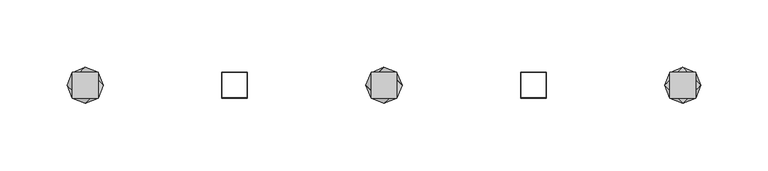
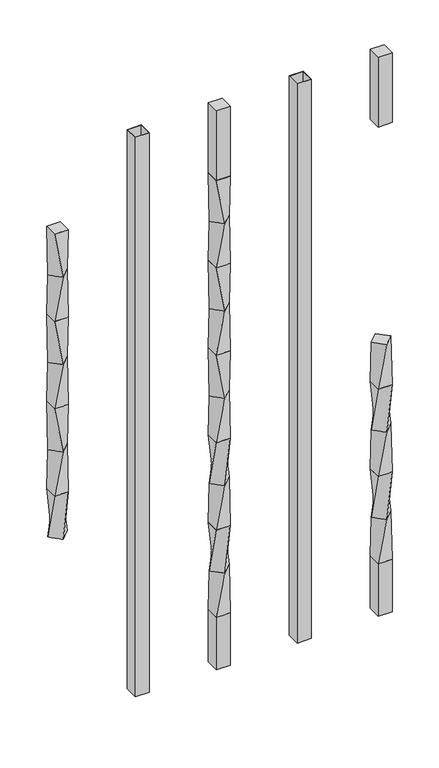
"""IFC4 building model written with IfcOpenShell, lengths in millimetres: railing geometry."""

from ifc_helpers import new_model, si_unit, frame, origin, place, context, project, spatial, polyline, outline, extrude, source, transform, mapped, element, save
from ifc_brep_helpers import plane_surface, spline_surface, advanced_brep


def railing_b1dfb58e(model_context):
    return source(origin(), model_context, "Body", "SolidModel", [
        advanced_brep(
        [(15296.6500044, -60563.4367982, 495.2958781), (15310.1203886, -60549.966414, 495.2958781), (15296.6500044, -60536.4960298, 495.2958781), (15283.1796203, -60549.966414, 495.2958781), (15287.1250044, -60559.491414, 431.7958781), (15287.1250044, -60540.441414, 431.7958781), (15306.1750044, -60540.441414, 431.7958781), (15306.1750044, -60559.491414, 431.7958781)],
        [
            (0, 1),
            (1, 2),
            (2, 3),
            (3, 0),
            (4, 5),
            (5, 6),
            (6, 7),
            (7, 4),
            (4, 0),
            (3, 5),
            (2, 6),
            (1, 7),
        ],
        [
            plane_surface(frame((15296.6500044, -60549.966414, 495.2958781), z_axis=(0.0, 0.0, 1.0), x_axis=(-0.7071067811865477, -0.7071067811865474, 0.0))),
            plane_surface(frame((15296.6500044, -60549.966414, 431.7958781), z_axis=(0.0, 0.0, -1.0), x_axis=(-0.7071067811865477, -0.7071067811865474, 0.0))),
            spline_surface(1, 1, [[(15287.1250044, -60559.491414, 431.7958781), (15287.1250044, -60540.441414, 431.7958781)], [(15296.6500044, -60563.4367982, 495.2958781), (15283.1796203, -60549.966414, 495.2958781)]], [2, 2], [2, 2], [0.0, 1.0], [0.0, 1.0]),
            spline_surface(1, 1, [[(15287.1250044, -60540.441414, 431.7958781), (15306.1750044, -60540.441414, 431.7958781)], [(15283.1796203, -60549.966414, 495.2958781), (15296.6500044, -60536.4960298, 495.2958781)]], [2, 2], [2, 2], [0.0, 1.0], [0.0, 1.0]),
            spline_surface(1, 1, [[(15306.1750044, -60540.441414, 431.7958781), (15306.1750044, -60559.491414, 431.7958781)], [(15296.6500044, -60536.4960298, 495.2958781), (15310.1203886, -60549.966414, 495.2958781)]], [2, 2], [2, 2], [0.0, 1.0], [0.0, 1.0]),
            spline_surface(1, 1, [[(15306.1750044, -60559.491414, 431.7958781), (15287.1250044, -60559.491414, 431.7958781)], [(15310.1203886, -60549.966414, 495.2958781), (15296.6500044, -60563.4367982, 495.2958781)]], [2, 2], [2, 2], [0.0, 1.0], [0.0, 1.0]),
        ],
        [
            (0, [[1, 2, 3, 4]]),
            (1, [[5, 6, 7, 8]]),
            (2, [[9, -4, 10, -5]]),
            (3, [[-10, -3, 11, -6]]),
            (4, [[-11, -2, 12, -7]]),
            (5, [[-12, -1, -9, -8]]),
        ],
    ),
        advanced_brep(
        [(15287.1250044, -60559.491414, 431.7958781), (15306.1750044, -60559.491414, 431.7958781), (15306.1750044, -60540.441414, 431.7958781), (15287.1250044, -60540.441414, 431.7958781), (15283.1796203, -60549.966414, 368.2958781), (15296.6500044, -60536.4960298, 368.2958781), (15310.1203886, -60549.966414, 368.2958781), (15296.6500044, -60563.4367982, 368.2958781)],
        [
            (0, 1),
            (1, 2),
            (2, 3),
            (3, 0),
            (4, 5),
            (5, 6),
            (6, 7),
            (7, 4),
            (4, 0),
            (3, 5),
            (2, 6),
            (1, 7),
        ],
        [
            plane_surface(frame((15296.6500044, -60549.966414, 431.7958781), z_axis=(0.0, 0.0, 1.0), x_axis=(0.0, 1.0, 0.0))),
            plane_surface(frame((15296.6500044, -60549.966414, 368.2958781), z_axis=(0.0, 0.0, -1.0), x_axis=(0.0, 1.0, 0.0))),
            spline_surface(1, 1, [[(15283.1796203, -60549.966414, 368.2958781), (15296.6500044, -60536.4960298, 368.2958781)], [(15287.1250044, -60559.491414, 431.7958781), (15287.1250044, -60540.441414, 431.7958781)]], [2, 2], [2, 2], [0.0, 1.0], [0.0, 1.0]),
            spline_surface(1, 1, [[(15296.6500044, -60536.4960298, 368.2958781), (15310.1203886, -60549.966414, 368.2958781)], [(15287.1250044, -60540.441414, 431.7958781), (15306.1750044, -60540.441414, 431.7958781)]], [2, 2], [2, 2], [0.0, 1.0], [0.0, 1.0]),
            spline_surface(1, 1, [[(15310.1203886, -60549.966414, 368.2958781), (15296.6500044, -60563.4367982, 368.2958781)], [(15306.1750044, -60540.441414, 431.7958781), (15306.1750044, -60559.491414, 431.7958781)]], [2, 2], [2, 2], [0.0, 1.0], [0.0, 1.0]),
            spline_surface(1, 1, [[(15296.6500044, -60563.4367982, 368.2958781), (15283.1796203, -60549.966414, 368.2958781)], [(15306.1750044, -60559.491414, 431.7958781), (15287.1250044, -60559.491414, 431.7958781)]], [2, 2], [2, 2], [0.0, 1.0], [0.0, 1.0]),
        ],
        [
            (0, [[1, 2, 3, 4]]),
            (1, [[5, 6, 7, 8]]),
            (2, [[9, -4, 10, -5]]),
            (3, [[-10, -3, 11, -6]]),
            (4, [[-11, -2, 12, -7]]),
            (5, [[-12, -1, -9, -8]]),
        ],
    ),
        advanced_brep(
        [(15296.6500044, -60563.4367982, 368.2958781), (15310.1203886, -60549.966414, 368.2958781), (15296.6500044, -60536.4960298, 368.2958781), (15283.1796203, -60549.966414, 368.2958781), (15287.1250044, -60559.491414, 304.7958781), (15287.1250044, -60540.441414, 304.7958781), (15306.1750044, -60540.441414, 304.7958781), (15306.1750044, -60559.491414, 304.7958781)],
        [
            (0, 1),
            (1, 2),
            (2, 3),
            (3, 0),
            (4, 5),
            (5, 6),
            (6, 7),
            (7, 4),
            (4, 0),
            (3, 5),
            (2, 6),
            (1, 7),
        ],
        [
            plane_surface(frame((15296.6500044, -60549.966414, 368.2958781), z_axis=(0.0, 0.0, 1.0), x_axis=(-0.7071067811865477, -0.7071067811865475, 0.0))),
            plane_surface(frame((15296.6500044, -60549.966414, 304.7958781), z_axis=(0.0, 0.0, -1.0), x_axis=(-0.7071067811865477, -0.7071067811865475, 0.0))),
            spline_surface(1, 1, [[(15287.1250044, -60559.491414, 304.7958781), (15287.1250044, -60540.441414, 304.7958781)], [(15296.6500044, -60563.4367982, 368.2958781), (15283.1796203, -60549.966414, 368.2958781)]], [2, 2], [2, 2], [0.0, 1.0], [0.0, 1.0]),
            spline_surface(1, 1, [[(15287.1250044, -60540.441414, 304.7958781), (15306.1750044, -60540.441414, 304.7958781)], [(15283.1796203, -60549.966414, 368.2958781), (15296.6500044, -60536.4960298, 368.2958781)]], [2, 2], [2, 2], [0.0, 1.0], [0.0, 1.0]),
            spline_surface(1, 1, [[(15306.1750044, -60540.441414, 304.7958781), (15306.1750044, -60559.491414, 304.7958781)], [(15296.6500044, -60536.4960298, 368.2958781), (15310.1203886, -60549.966414, 368.2958781)]], [2, 2], [2, 2], [0.0, 1.0], [0.0, 1.0]),
            spline_surface(1, 1, [[(15306.1750044, -60559.491414, 304.7958781), (15287.1250044, -60559.491414, 304.7958781)], [(15310.1203886, -60549.966414, 368.2958781), (15296.6500044, -60563.4367982, 368.2958781)]], [2, 2], [2, 2], [0.0, 1.0], [0.0, 1.0]),
        ],
        [
            (0, [[1, 2, 3, 4]]),
            (1, [[5, 6, 7, 8]]),
            (2, [[9, -4, 10, -5]]),
            (3, [[-10, -3, 11, -6]]),
            (4, [[-11, -2, 12, -7]]),
            (5, [[-12, -1, -9, -8]]),
        ],
    ),
        advanced_brep(
        [(15287.1250044, -60559.491414, 304.7958781), (15306.1750044, -60559.491414, 304.7958781), (15306.1750044, -60540.441414, 304.7958781), (15287.1250044, -60540.441414, 304.7958781), (15283.1796203, -60549.966414, 241.2958781), (15296.6500044, -60536.4960298, 241.2958781), (15310.1203886, -60549.966414, 241.2958781), (15296.6500044, -60563.4367982, 241.2958781)],
        [
            (0, 1),
            (1, 2),
            (2, 3),
            (3, 0),
            (4, 5),
            (5, 6),
            (6, 7),
            (7, 4),
            (4, 0),
            (3, 5),
            (2, 6),
            (1, 7),
        ],
        [
            plane_surface(frame((15296.6500044, -60549.966414, 304.7958781), z_axis=(0.0, 0.0, 1.0), x_axis=(0.0, 1.0, 0.0))),
            plane_surface(frame((15296.6500044, -60549.966414, 241.2958781), z_axis=(0.0, 0.0, -1.0), x_axis=(0.0, 1.0, 0.0))),
            spline_surface(1, 1, [[(15283.1796203, -60549.966414, 241.2958781), (15296.6500044, -60536.4960298, 241.2958781)], [(15287.1250044, -60559.491414, 304.7958781), (15287.1250044, -60540.441414, 304.7958781)]], [2, 2], [2, 2], [0.0, 1.0], [0.0, 1.0]),
            spline_surface(1, 1, [[(15296.6500044, -60536.4960298, 241.2958781), (15310.1203886, -60549.966414, 241.2958781)], [(15287.1250044, -60540.441414, 304.7958781), (15306.1750044, -60540.441414, 304.7958781)]], [2, 2], [2, 2], [0.0, 1.0], [0.0, 1.0]),
            spline_surface(1, 1, [[(15310.1203886, -60549.966414, 241.2958781), (15296.6500044, -60563.4367982, 241.2958781)], [(15306.1750044, -60540.441414, 304.7958781), (15306.1750044, -60559.491414, 304.7958781)]], [2, 2], [2, 2], [0.0, 1.0], [0.0, 1.0]),
            spline_surface(1, 1, [[(15296.6500044, -60563.4367982, 241.2958781), (15283.1796203, -60549.966414, 241.2958781)], [(15306.1750044, -60559.491414, 304.7958781), (15287.1250044, -60559.491414, 304.7958781)]], [2, 2], [2, 2], [0.0, 1.0], [0.0, 1.0]),
        ],
        [
            (0, [[1, 2, 3, 4]]),
            (1, [[5, 6, 7, 8]]),
            (2, [[9, -4, 10, -5]]),
            (3, [[-10, -3, 11, -6]]),
            (4, [[-11, -2, 12, -7]]),
            (5, [[-12, -1, -9, -8]]),
        ],
    ),
        advanced_brep(
        [(15296.6500044, -60563.4367982, 241.2958781), (15310.1203886, -60549.966414, 241.2958781), (15296.6500044, -60536.4960298, 241.2958781), (15283.1796203, -60549.966414, 241.2958781), (15287.1250044, -60559.491414, 177.7958781), (15287.1250044, -60540.441414, 177.7958781), (15306.1750044, -60540.441414, 177.7958781), (15306.1750044, -60559.491414, 177.7958781)],
        [
            (0, 1),
            (1, 2),
            (2, 3),
            (3, 0),
            (4, 5),
            (5, 6),
            (6, 7),
            (7, 4),
            (4, 0),
            (3, 5),
            (2, 6),
            (1, 7),
        ],
        [
            plane_surface(frame((15296.6500044, -60549.966414, 241.2958781), z_axis=(0.0, 0.0, 1.0), x_axis=(-0.7071067811865478, 0.7071067811865474, 0.0))),
            plane_surface(frame((15296.6500044, -60549.966414, 177.7958781), z_axis=(0.0, 0.0, -1.0), x_axis=(-0.7071067811865478, 0.7071067811865474, 0.0))),
            spline_surface(1, 1, [[(15287.1250044, -60559.491414, 177.7958781), (15287.1250044, -60540.441414, 177.7958781)], [(15296.6500044, -60563.4367982, 241.2958781), (15283.1796203, -60549.966414, 241.2958781)]], [2, 2], [2, 2], [0.0, 1.0], [0.0, 1.0]),
            spline_surface(1, 1, [[(15287.1250044, -60540.441414, 177.7958781), (15306.1750044, -60540.441414, 177.7958781)], [(15283.1796203, -60549.966414, 241.2958781), (15296.6500044, -60536.4960298, 241.2958781)]], [2, 2], [2, 2], [0.0, 1.0], [0.0, 1.0]),
            spline_surface(1, 1, [[(15306.1750044, -60540.441414, 177.7958781), (15306.1750044, -60559.491414, 177.7958781)], [(15296.6500044, -60536.4960298, 241.2958781), (15310.1203886, -60549.966414, 241.2958781)]], [2, 2], [2, 2], [0.0, 1.0], [0.0, 1.0]),
            spline_surface(1, 1, [[(15306.1750044, -60559.491414, 177.7958781), (15287.1250044, -60559.491414, 177.7958781)], [(15310.1203886, -60549.966414, 241.2958781), (15296.6500044, -60563.4367982, 241.2958781)]], [2, 2], [2, 2], [0.0, 1.0], [0.0, 1.0]),
        ],
        [
            (0, [[1, 2, 3, 4]]),
            (1, [[5, 6, 7, 8]]),
            (2, [[9, -4, 10, -5]]),
            (3, [[-10, -3, 11, -6]]),
            (4, [[-11, -2, 12, -7]]),
            (5, [[-12, -1, -9, -8]]),
        ],
    ),
        extrude(outline(polyline([(15287.1250044, -60559.491414), (15287.1250044, -60540.441414), (15306.1750044, -60540.441414), (15306.1750044, -60559.491414), (15287.1250044, -60559.491414)])), frame((0.0, 0.0, 812.7958781), z_axis=(0.0, 0.0, 1.0), x_axis=(1.0, 0.0, 0.0)), (0.0, 0.0, 1.0), 101.6041219),
        extrude(outline(polyline([(15287.1250044, -60559.491414), (15287.1250044, -60540.441414), (15306.1750044, -60540.441414), (15306.1750044, -60559.491414), (15287.1250044, -60559.491414)])), frame((0.0, 0.0, 101.5958781), z_axis=(0.0, 0.0, 1.0), x_axis=(1.0, 0.0, 0.0)), (0.0, 0.0, 1.0), 76.2),
        extrude(outline(polyline([(15175.8730044, -60559.491414), (15175.8730044, -60540.441414), (15194.9230044, -60540.441414), (15194.9230044, -60559.491414), (15175.8730044, -60559.491414)]), holes=[polyline([(15176.2698794, -60559.094539), (15194.5261294, -60559.094539), (15194.5261294, -60540.838289), (15176.2698794, -60540.838289), (15176.2698794, -60559.094539)])]), frame((0.0, 0.0, 101.5958781), z_axis=(0.0, 0.0, 1.0), x_axis=(1.0, 0.0, 0.0)), (0.0, 0.0, 1.0), 812.8041219),
        advanced_brep(
        [(15083.6710044, -60559.491414, 812.7958781), (15083.6710044, -60540.441414, 812.7958781), (15064.6210044, -60540.441414, 812.7958781), (15064.6210044, -60559.491414, 812.7958781), (15087.6163886, -60549.966414, 749.2958781), (15074.1460044, -60563.4367982, 749.2958781), (15060.6756203, -60549.966414, 749.2958781), (15074.1460044, -60536.4960298, 749.2958781)],
        [
            (0, 1),
            (1, 2),
            (2, 3),
            (3, 0),
            (4, 5),
            (5, 6),
            (6, 7),
            (7, 4),
            (4, 0),
            (3, 5),
            (2, 6),
            (1, 7),
        ],
        [
            plane_surface(frame((15074.1460044, -60549.966414, 812.7958781), z_axis=(0.0, 0.0, 1.0), x_axis=(0.0, 1.0, 0.0))),
            plane_surface(frame((15074.1460044, -60549.966414, 749.2958781), z_axis=(0.0, 0.0, -1.0), x_axis=(0.0, 1.0, 0.0))),
            spline_surface(1, 1, [[(15087.6163886, -60549.966414, 749.2958781), (15074.1460044, -60563.4367982, 749.2958781)], [(15083.6710044, -60559.491414, 812.7958781), (15064.6210044, -60559.491414, 812.7958781)]], [2, 2], [2, 2], [0.0, 1.0], [0.0, 1.0]),
            spline_surface(1, 1, [[(15074.1460044, -60563.4367982, 749.2958781), (15060.6756203, -60549.966414, 749.2958781)], [(15064.6210044, -60559.491414, 812.7958781), (15064.6210044, -60540.441414, 812.7958781)]], [2, 2], [2, 2], [0.0, 1.0], [0.0, 1.0]),
            spline_surface(1, 1, [[(15060.6756203, -60549.966414, 749.2958781), (15074.1460044, -60536.4960298, 749.2958781)], [(15064.6210044, -60540.441414, 812.7958781), (15083.6710044, -60540.441414, 812.7958781)]], [2, 2], [2, 2], [0.0, 1.0], [0.0, 1.0]),
            spline_surface(1, 1, [[(15074.1460044, -60536.4960298, 749.2958781), (15087.6163886, -60549.966414, 749.2958781)], [(15083.6710044, -60540.441414, 812.7958781), (15083.6710044, -60559.491414, 812.7958781)]], [2, 2], [2, 2], [0.0, 1.0], [0.0, 1.0]),
        ],
        [
            (0, [[1, 2, 3, 4]]),
            (1, [[5, 6, 7, 8]]),
            (2, [[9, -4, 10, -5]]),
            (3, [[-10, -3, 11, -6]]),
            (4, [[-11, -2, 12, -7]]),
            (5, [[-12, -1, -9, -8]]),
        ],
    ),
        advanced_brep(
        [(15074.1460044, -60563.4367982, 749.2958781), (15087.6163886, -60549.966414, 749.2958781), (15074.1460044, -60536.4960298, 749.2958781), (15060.6756203, -60549.966414, 749.2958781), (15064.6210044, -60559.491414, 685.7958781), (15064.6210044, -60540.441414, 685.7958781), (15083.6710044, -60540.441414, 685.7958781), (15083.6710044, -60559.491414, 685.7958781)],
        [
            (0, 1),
            (1, 2),
            (2, 3),
            (3, 0),
            (4, 5),
            (5, 6),
            (6, 7),
            (7, 4),
            (4, 0),
            (3, 5),
            (2, 6),
            (1, 7),
        ],
        [
            plane_surface(frame((15074.1460044, -60549.966414, 749.2958781), z_axis=(0.0, 0.0, 1.0), x_axis=(-0.7071067811865477, -0.7071067811865474, 0.0))),
            plane_surface(frame((15074.1460044, -60549.966414, 685.7958781), z_axis=(0.0, 0.0, -1.0), x_axis=(-0.7071067811865477, -0.7071067811865474, 0.0))),
            spline_surface(1, 1, [[(15064.6210044, -60559.491414, 685.7958781), (15064.6210044, -60540.441414, 685.7958781)], [(15074.1460044, -60563.4367982, 749.2958781), (15060.6756203, -60549.966414, 749.2958781)]], [2, 2], [2, 2], [0.0, 1.0], [0.0, 1.0]),
            spline_surface(1, 1, [[(15064.6210044, -60540.441414, 685.7958781), (15083.6710044, -60540.441414, 685.7958781)], [(15060.6756203, -60549.966414, 749.2958781), (15074.1460044, -60536.4960298, 749.2958781)]], [2, 2], [2, 2], [0.0, 1.0], [0.0, 1.0]),
            spline_surface(1, 1, [[(15083.6710044, -60540.441414, 685.7958781), (15083.6710044, -60559.491414, 685.7958781)], [(15074.1460044, -60536.4960298, 749.2958781), (15087.6163886, -60549.966414, 749.2958781)]], [2, 2], [2, 2], [0.0, 1.0], [0.0, 1.0]),
            spline_surface(1, 1, [[(15083.6710044, -60559.491414, 685.7958781), (15064.6210044, -60559.491414, 685.7958781)], [(15087.6163886, -60549.966414, 749.2958781), (15074.1460044, -60563.4367982, 749.2958781)]], [2, 2], [2, 2], [0.0, 1.0], [0.0, 1.0]),
        ],
        [
            (0, [[1, 2, 3, 4]]),
            (1, [[5, 6, 7, 8]]),
            (2, [[9, -4, 10, -5]]),
            (3, [[-10, -3, 11, -6]]),
            (4, [[-11, -2, 12, -7]]),
            (5, [[-12, -1, -9, -8]]),
        ],
    ),
        advanced_brep(
        [(15083.6710044, -60559.491414, 685.7958781), (15083.6710044, -60540.441414, 685.7958781), (15064.6210044, -60540.441414, 685.7958781), (15064.6210044, -60559.491414, 685.7958781), (15087.6163886, -60549.966414, 622.2958781), (15074.1460044, -60563.4367982, 622.2958781), (15060.6756203, -60549.966414, 622.2958781), (15074.1460044, -60536.4960298, 622.2958781)],
        [
            (0, 1),
            (1, 2),
            (2, 3),
            (3, 0),
            (4, 5),
            (5, 6),
            (6, 7),
            (7, 4),
            (4, 0),
            (3, 5),
            (2, 6),
            (1, 7),
        ],
        [
            plane_surface(frame((15074.1460044, -60549.966414, 685.7958781), z_axis=(0.0, 0.0, 1.0), x_axis=(0.0, 1.0, 0.0))),
            plane_surface(frame((15074.1460044, -60549.966414, 622.2958781), z_axis=(0.0, 0.0, -1.0), x_axis=(0.0, 1.0, 0.0))),
            spline_surface(1, 1, [[(15087.6163886, -60549.966414, 622.2958781), (15074.1460044, -60563.4367982, 622.2958781)], [(15083.6710044, -60559.491414, 685.7958781), (15064.6210044, -60559.491414, 685.7958781)]], [2, 2], [2, 2], [0.0, 1.0], [0.0, 1.0]),
            spline_surface(1, 1, [[(15074.1460044, -60563.4367982, 622.2958781), (15060.6756203, -60549.966414, 622.2958781)], [(15064.6210044, -60559.491414, 685.7958781), (15064.6210044, -60540.441414, 685.7958781)]], [2, 2], [2, 2], [0.0, 1.0], [0.0, 1.0]),
            spline_surface(1, 1, [[(15060.6756203, -60549.966414, 622.2958781), (15074.1460044, -60536.4960298, 622.2958781)], [(15064.6210044, -60540.441414, 685.7958781), (15083.6710044, -60540.441414, 685.7958781)]], [2, 2], [2, 2], [0.0, 1.0], [0.0, 1.0]),
            spline_surface(1, 1, [[(15074.1460044, -60536.4960298, 622.2958781), (15087.6163886, -60549.966414, 622.2958781)], [(15083.6710044, -60540.441414, 685.7958781), (15083.6710044, -60559.491414, 685.7958781)]], [2, 2], [2, 2], [0.0, 1.0], [0.0, 1.0]),
        ],
        [
            (0, [[1, 2, 3, 4]]),
            (1, [[5, 6, 7, 8]]),
            (2, [[9, -4, 10, -5]]),
            (3, [[-10, -3, 11, -6]]),
            (4, [[-11, -2, 12, -7]]),
            (5, [[-12, -1, -9, -8]]),
        ],
    ),
        advanced_brep(
        [(15074.1460044, -60563.4367982, 622.2958781), (15087.6163886, -60549.966414, 622.2958781), (15074.1460044, -60536.4960298, 622.2958781), (15060.6756203, -60549.966414, 622.2958781), (15064.6210044, -60559.491414, 558.7958781), (15064.6210044, -60540.441414, 558.7958781), (15083.6710044, -60540.441414, 558.7958781), (15083.6710044, -60559.491414, 558.7958781)],
        [
            (0, 1),
            (1, 2),
            (2, 3),
            (3, 0),
            (4, 5),
            (5, 6),
            (6, 7),
            (7, 4),
            (4, 0),
            (3, 5),
            (2, 6),
            (1, 7),
        ],
        [
            plane_surface(frame((15074.1460044, -60549.966414, 622.2958781), z_axis=(0.0, 0.0, 1.0), x_axis=(-0.7071067811865477, -0.7071067811865475, 0.0))),
            plane_surface(frame((15074.1460044, -60549.966414, 558.7958781), z_axis=(0.0, 0.0, -1.0), x_axis=(-0.7071067811865477, -0.7071067811865475, 0.0))),
            spline_surface(1, 1, [[(15064.6210044, -60559.491414, 558.7958781), (15064.6210044, -60540.441414, 558.7958781)], [(15074.1460044, -60563.4367982, 622.2958781), (15060.6756203, -60549.966414, 622.2958781)]], [2, 2], [2, 2], [0.0, 1.0], [0.0, 1.0]),
            spline_surface(1, 1, [[(15064.6210044, -60540.441414, 558.7958781), (15083.6710044, -60540.441414, 558.7958781)], [(15060.6756203, -60549.966414, 622.2958781), (15074.1460044, -60536.4960298, 622.2958781)]], [2, 2], [2, 2], [0.0, 1.0], [0.0, 1.0]),
            spline_surface(1, 1, [[(15083.6710044, -60540.441414, 558.7958781), (15083.6710044, -60559.491414, 558.7958781)], [(15074.1460044, -60536.4960298, 622.2958781), (15087.6163886, -60549.966414, 622.2958781)]], [2, 2], [2, 2], [0.0, 1.0], [0.0, 1.0]),
            spline_surface(1, 1, [[(15083.6710044, -60559.491414, 558.7958781), (15064.6210044, -60559.491414, 558.7958781)], [(15087.6163886, -60549.966414, 622.2958781), (15074.1460044, -60563.4367982, 622.2958781)]], [2, 2], [2, 2], [0.0, 1.0], [0.0, 1.0]),
        ],
        [
            (0, [[1, 2, 3, 4]]),
            (1, [[5, 6, 7, 8]]),
            (2, [[9, -4, 10, -5]]),
            (3, [[-10, -3, 11, -6]]),
            (4, [[-11, -2, 12, -7]]),
            (5, [[-12, -1, -9, -8]]),
        ],
    ),
        advanced_brep(
        [(15083.6710044, -60559.491414, 558.7958781), (15083.6710044, -60540.441414, 558.7958781), (15064.6210044, -60540.441414, 558.7958781), (15064.6210044, -60559.491414, 558.7958781), (15087.6163886, -60549.966414, 495.2958781), (15074.1460044, -60563.4367982, 495.2958781), (15060.6756203, -60549.966414, 495.2958781), (15074.1460044, -60536.4960298, 495.2958781)],
        [
            (0, 1),
            (1, 2),
            (2, 3),
            (3, 0),
            (4, 5),
            (5, 6),
            (6, 7),
            (7, 4),
            (4, 0),
            (3, 5),
            (2, 6),
            (1, 7),
        ],
        [
            plane_surface(frame((15074.1460044, -60549.966414, 558.7958781), z_axis=(0.0, 0.0, 1.0), x_axis=(0.0, 1.0, 0.0))),
            plane_surface(frame((15074.1460044, -60549.966414, 495.2958781), z_axis=(0.0, 0.0, -1.0), x_axis=(0.0, 1.0, 0.0))),
            spline_surface(1, 1, [[(15087.6163886, -60549.966414, 495.2958781), (15074.1460044, -60563.4367982, 495.2958781)], [(15083.6710044, -60559.491414, 558.7958781), (15064.6210044, -60559.491414, 558.7958781)]], [2, 2], [2, 2], [0.0, 1.0], [0.0, 1.0]),
            spline_surface(1, 1, [[(15074.1460044, -60563.4367982, 495.2958781), (15060.6756203, -60549.966414, 495.2958781)], [(15064.6210044, -60559.491414, 558.7958781), (15064.6210044, -60540.441414, 558.7958781)]], [2, 2], [2, 2], [0.0, 1.0], [0.0, 1.0]),
            spline_surface(1, 1, [[(15060.6756203, -60549.966414, 495.2958781), (15074.1460044, -60536.4960298, 495.2958781)], [(15064.6210044, -60540.441414, 558.7958781), (15083.6710044, -60540.441414, 558.7958781)]], [2, 2], [2, 2], [0.0, 1.0], [0.0, 1.0]),
            spline_surface(1, 1, [[(15074.1460044, -60536.4960298, 495.2958781), (15087.6163886, -60549.966414, 495.2958781)], [(15083.6710044, -60540.441414, 558.7958781), (15083.6710044, -60559.491414, 558.7958781)]], [2, 2], [2, 2], [0.0, 1.0], [0.0, 1.0]),
        ],
        [
            (0, [[1, 2, 3, 4]]),
            (1, [[5, 6, 7, 8]]),
            (2, [[9, -4, 10, -5]]),
            (3, [[-10, -3, 11, -6]]),
            (4, [[-11, -2, 12, -7]]),
            (5, [[-12, -1, -9, -8]]),
        ],
    ),
        advanced_brep(
        [(15074.1460044, -60563.4367982, 495.2958781), (15087.6163886, -60549.966414, 495.2958781), (15074.1460044, -60536.4960298, 495.2958781), (15060.6756203, -60549.966414, 495.2958781), (15064.6210044, -60559.491414, 431.7958781), (15064.6210044, -60540.441414, 431.7958781), (15083.6710044, -60540.441414, 431.7958781), (15083.6710044, -60559.491414, 431.7958781)],
        [
            (0, 1),
            (1, 2),
            (2, 3),
            (3, 0),
            (4, 5),
            (5, 6),
            (6, 7),
            (7, 4),
            (4, 0),
            (3, 5),
            (2, 6),
            (1, 7),
        ],
        [
            plane_surface(frame((15074.1460044, -60549.966414, 495.2958781), z_axis=(0.0, 0.0, 1.0), x_axis=(-0.7071067811865477, -0.7071067811865474, 0.0))),
            plane_surface(frame((15074.1460044, -60549.966414, 431.7958781), z_axis=(0.0, 0.0, -1.0), x_axis=(-0.7071067811865477, -0.7071067811865474, 0.0))),
            spline_surface(1, 1, [[(15064.6210044, -60559.491414, 431.7958781), (15064.6210044, -60540.441414, 431.7958781)], [(15074.1460044, -60563.4367982, 495.2958781), (15060.6756203, -60549.966414, 495.2958781)]], [2, 2], [2, 2], [0.0, 1.0], [0.0, 1.0]),
            spline_surface(1, 1, [[(15064.6210044, -60540.441414, 431.7958781), (15083.6710044, -60540.441414, 431.7958781)], [(15060.6756203, -60549.966414, 495.2958781), (15074.1460044, -60536.4960298, 495.2958781)]], [2, 2], [2, 2], [0.0, 1.0], [0.0, 1.0]),
            spline_surface(1, 1, [[(15083.6710044, -60540.441414, 431.7958781), (15083.6710044, -60559.491414, 431.7958781)], [(15074.1460044, -60536.4960298, 495.2958781), (15087.6163886, -60549.966414, 495.2958781)]], [2, 2], [2, 2], [0.0, 1.0], [0.0, 1.0]),
            spline_surface(1, 1, [[(15083.6710044, -60559.491414, 431.7958781), (15064.6210044, -60559.491414, 431.7958781)], [(15087.6163886, -60549.966414, 495.2958781), (15074.1460044, -60563.4367982, 495.2958781)]], [2, 2], [2, 2], [0.0, 1.0], [0.0, 1.0]),
        ],
        [
            (0, [[1, 2, 3, 4]]),
            (1, [[5, 6, 7, 8]]),
            (2, [[9, -4, 10, -5]]),
            (3, [[-10, -3, 11, -6]]),
            (4, [[-11, -2, 12, -7]]),
            (5, [[-12, -1, -9, -8]]),
        ],
    ),
        advanced_brep(
        [(15064.6210044, -60559.491414, 431.7958781), (15083.6710044, -60559.491414, 431.7958781), (15083.6710044, -60540.441414, 431.7958781), (15064.6210044, -60540.441414, 431.7958781), (15060.6756203, -60549.966414, 368.2958781), (15074.1460044, -60536.4960298, 368.2958781), (15087.6163886, -60549.966414, 368.2958781), (15074.1460044, -60563.4367982, 368.2958781)],
        [
            (0, 1),
            (1, 2),
            (2, 3),
            (3, 0),
            (4, 5),
            (5, 6),
            (6, 7),
            (7, 4),
            (4, 0),
            (3, 5),
            (2, 6),
            (1, 7),
        ],
        [
            plane_surface(frame((15074.1460044, -60549.966414, 431.7958781), z_axis=(0.0, 0.0, 1.0), x_axis=(0.0, 1.0, 0.0))),
            plane_surface(frame((15074.1460044, -60549.966414, 368.2958781), z_axis=(0.0, 0.0, -1.0), x_axis=(0.0, 1.0, 0.0))),
            spline_surface(1, 1, [[(15060.6756203, -60549.966414, 368.2958781), (15074.1460044, -60536.4960298, 368.2958781)], [(15064.6210044, -60559.491414, 431.7958781), (15064.6210044, -60540.441414, 431.7958781)]], [2, 2], [2, 2], [0.0, 1.0], [0.0, 1.0]),
            spline_surface(1, 1, [[(15074.1460044, -60536.4960298, 368.2958781), (15087.6163886, -60549.966414, 368.2958781)], [(15064.6210044, -60540.441414, 431.7958781), (15083.6710044, -60540.441414, 431.7958781)]], [2, 2], [2, 2], [0.0, 1.0], [0.0, 1.0]),
            spline_surface(1, 1, [[(15087.6163886, -60549.966414, 368.2958781), (15074.1460044, -60563.4367982, 368.2958781)], [(15083.6710044, -60540.441414, 431.7958781), (15083.6710044, -60559.491414, 431.7958781)]], [2, 2], [2, 2], [0.0, 1.0], [0.0, 1.0]),
            spline_surface(1, 1, [[(15074.1460044, -60563.4367982, 368.2958781), (15060.6756203, -60549.966414, 368.2958781)], [(15083.6710044, -60559.491414, 431.7958781), (15064.6210044, -60559.491414, 431.7958781)]], [2, 2], [2, 2], [0.0, 1.0], [0.0, 1.0]),
        ],
        [
            (0, [[1, 2, 3, 4]]),
            (1, [[5, 6, 7, 8]]),
            (2, [[9, -4, 10, -5]]),
            (3, [[-10, -3, 11, -6]]),
            (4, [[-11, -2, 12, -7]]),
            (5, [[-12, -1, -9, -8]]),
        ],
    ),
        advanced_brep(
        [(15074.1460044, -60563.4367982, 368.2958781), (15087.6163886, -60549.966414, 368.2958781), (15074.1460044, -60536.4960298, 368.2958781), (15060.6756203, -60549.966414, 368.2958781), (15064.6210044, -60559.491414, 304.7958781), (15064.6210044, -60540.441414, 304.7958781), (15083.6710044, -60540.441414, 304.7958781), (15083.6710044, -60559.491414, 304.7958781)],
        [
            (0, 1),
            (1, 2),
            (2, 3),
            (3, 0),
            (4, 5),
            (5, 6),
            (6, 7),
            (7, 4),
            (4, 0),
            (3, 5),
            (2, 6),
            (1, 7),
        ],
        [
            plane_surface(frame((15074.1460044, -60549.966414, 368.2958781), z_axis=(0.0, 0.0, 1.0), x_axis=(-0.7071067811865477, -0.7071067811865475, 0.0))),
            plane_surface(frame((15074.1460044, -60549.966414, 304.7958781), z_axis=(0.0, 0.0, -1.0), x_axis=(-0.7071067811865477, -0.7071067811865475, 0.0))),
            spline_surface(1, 1, [[(15064.6210044, -60559.491414, 304.7958781), (15064.6210044, -60540.441414, 304.7958781)], [(15074.1460044, -60563.4367982, 368.2958781), (15060.6756203, -60549.966414, 368.2958781)]], [2, 2], [2, 2], [0.0, 1.0], [0.0, 1.0]),
            spline_surface(1, 1, [[(15064.6210044, -60540.441414, 304.7958781), (15083.6710044, -60540.441414, 304.7958781)], [(15060.6756203, -60549.966414, 368.2958781), (15074.1460044, -60536.4960298, 368.2958781)]], [2, 2], [2, 2], [0.0, 1.0], [0.0, 1.0]),
            spline_surface(1, 1, [[(15083.6710044, -60540.441414, 304.7958781), (15083.6710044, -60559.491414, 304.7958781)], [(15074.1460044, -60536.4960298, 368.2958781), (15087.6163886, -60549.966414, 368.2958781)]], [2, 2], [2, 2], [0.0, 1.0], [0.0, 1.0]),
            spline_surface(1, 1, [[(15083.6710044, -60559.491414, 304.7958781), (15064.6210044, -60559.491414, 304.7958781)], [(15087.6163886, -60549.966414, 368.2958781), (15074.1460044, -60563.4367982, 368.2958781)]], [2, 2], [2, 2], [0.0, 1.0], [0.0, 1.0]),
        ],
        [
            (0, [[1, 2, 3, 4]]),
            (1, [[5, 6, 7, 8]]),
            (2, [[9, -4, 10, -5]]),
            (3, [[-10, -3, 11, -6]]),
            (4, [[-11, -2, 12, -7]]),
            (5, [[-12, -1, -9, -8]]),
        ],
    ),
        advanced_brep(
        [(15064.6210044, -60559.491414, 304.7958781), (15083.6710044, -60559.491414, 304.7958781), (15083.6710044, -60540.441414, 304.7958781), (15064.6210044, -60540.441414, 304.7958781), (15060.6756203, -60549.966414, 241.2958781), (15074.1460044, -60536.4960298, 241.2958781), (15087.6163886, -60549.966414, 241.2958781), (15074.1460044, -60563.4367982, 241.2958781)],
        [
            (0, 1),
            (1, 2),
            (2, 3),
            (3, 0),
            (4, 5),
            (5, 6),
            (6, 7),
            (7, 4),
            (4, 0),
            (3, 5),
            (2, 6),
            (1, 7),
        ],
        [
            plane_surface(frame((15074.1460044, -60549.966414, 304.7958781), z_axis=(0.0, 0.0, 1.0), x_axis=(0.0, 1.0, 0.0))),
            plane_surface(frame((15074.1460044, -60549.966414, 241.2958781), z_axis=(0.0, 0.0, -1.0), x_axis=(0.0, 1.0, 0.0))),
            spline_surface(1, 1, [[(15060.6756203, -60549.966414, 241.2958781), (15074.1460044, -60536.4960298, 241.2958781)], [(15064.6210044, -60559.491414, 304.7958781), (15064.6210044, -60540.441414, 304.7958781)]], [2, 2], [2, 2], [0.0, 1.0], [0.0, 1.0]),
            spline_surface(1, 1, [[(15074.1460044, -60536.4960298, 241.2958781), (15087.6163886, -60549.966414, 241.2958781)], [(15064.6210044, -60540.441414, 304.7958781), (15083.6710044, -60540.441414, 304.7958781)]], [2, 2], [2, 2], [0.0, 1.0], [0.0, 1.0]),
            spline_surface(1, 1, [[(15087.6163886, -60549.966414, 241.2958781), (15074.1460044, -60563.4367982, 241.2958781)], [(15083.6710044, -60540.441414, 304.7958781), (15083.6710044, -60559.491414, 304.7958781)]], [2, 2], [2, 2], [0.0, 1.0], [0.0, 1.0]),
            spline_surface(1, 1, [[(15074.1460044, -60563.4367982, 241.2958781), (15060.6756203, -60549.966414, 241.2958781)], [(15083.6710044, -60559.491414, 304.7958781), (15064.6210044, -60559.491414, 304.7958781)]], [2, 2], [2, 2], [0.0, 1.0], [0.0, 1.0]),
        ],
        [
            (0, [[1, 2, 3, 4]]),
            (1, [[5, 6, 7, 8]]),
            (2, [[9, -4, 10, -5]]),
            (3, [[-10, -3, 11, -6]]),
            (4, [[-11, -2, 12, -7]]),
            (5, [[-12, -1, -9, -8]]),
        ],
    ),
        advanced_brep(
        [(15074.1460044, -60563.4367982, 241.2958781), (15087.6163886, -60549.966414, 241.2958781), (15074.1460044, -60536.4960298, 241.2958781), (15060.6756203, -60549.966414, 241.2958781), (15064.6210044, -60559.491414, 177.7958781), (15064.6210044, -60540.441414, 177.7958781), (15083.6710044, -60540.441414, 177.7958781), (15083.6710044, -60559.491414, 177.7958781)],
        [
            (0, 1),
            (1, 2),
            (2, 3),
            (3, 0),
            (4, 5),
            (5, 6),
            (6, 7),
            (7, 4),
            (4, 0),
            (3, 5),
            (2, 6),
            (1, 7),
        ],
        [
            plane_surface(frame((15074.1460044, -60549.966414, 241.2958781), z_axis=(0.0, 0.0, 1.0), x_axis=(-0.7071067811865478, 0.7071067811865474, 0.0))),
            plane_surface(frame((15074.1460044, -60549.966414, 177.7958781), z_axis=(0.0, 0.0, -1.0), x_axis=(-0.7071067811865478, 0.7071067811865474, 0.0))),
            spline_surface(1, 1, [[(15064.6210044, -60559.491414, 177.7958781), (15064.6210044, -60540.441414, 177.7958781)], [(15074.1460044, -60563.4367982, 241.2958781), (15060.6756203, -60549.966414, 241.2958781)]], [2, 2], [2, 2], [0.0, 1.0], [0.0, 1.0]),
            spline_surface(1, 1, [[(15064.6210044, -60540.441414, 177.7958781), (15083.6710044, -60540.441414, 177.7958781)], [(15060.6756203, -60549.966414, 241.2958781), (15074.1460044, -60536.4960298, 241.2958781)]], [2, 2], [2, 2], [0.0, 1.0], [0.0, 1.0]),
            spline_surface(1, 1, [[(15083.6710044, -60540.441414, 177.7958781), (15083.6710044, -60559.491414, 177.7958781)], [(15074.1460044, -60536.4960298, 241.2958781), (15087.6163886, -60549.966414, 241.2958781)]], [2, 2], [2, 2], [0.0, 1.0], [0.0, 1.0]),
            spline_surface(1, 1, [[(15083.6710044, -60559.491414, 177.7958781), (15064.6210044, -60559.491414, 177.7958781)], [(15087.6163886, -60549.966414, 241.2958781), (15074.1460044, -60563.4367982, 241.2958781)]], [2, 2], [2, 2], [0.0, 1.0], [0.0, 1.0]),
        ],
        [
            (0, [[1, 2, 3, 4]]),
            (1, [[5, 6, 7, 8]]),
            (2, [[9, -4, 10, -5]]),
            (3, [[-10, -3, 11, -6]]),
            (4, [[-11, -2, 12, -7]]),
            (5, [[-12, -1, -9, -8]]),
        ],
    ),
        extrude(outline(polyline([(15064.6210044, -60559.491414), (15064.6210044, -60540.441414), (15083.6710044, -60540.441414), (15083.6710044, -60559.491414), (15064.6210044, -60559.491414)])), frame((0.0, 0.0, 812.7958781), z_axis=(0.0, 0.0, 1.0), x_axis=(1.0, 0.0, 0.0)), (0.0, 0.0, 1.0), 101.6041219),
        extrude(outline(polyline([(15064.6210044, -60559.491414), (15064.6210044, -60540.441414), (15083.6710044, -60540.441414), (15083.6710044, -60559.491414), (15064.6210044, -60559.491414)])), frame((0.0, 0.0, 101.5958781), z_axis=(0.0, 0.0, 1.0), x_axis=(1.0, 0.0, 0.0)), (0.0, 0.0, 1.0), 76.2),
        extrude(outline(polyline([(14953.3690044, -60559.491414), (14953.3690044, -60540.441414), (14972.4190044, -60540.441414), (14972.4190044, -60559.491414), (14953.3690044, -60559.491414)]), holes=[polyline([(14953.7658794, -60559.094539), (14972.0221294, -60559.094539), (14972.0221294, -60540.838289), (14953.7658794, -60540.838289), (14953.7658794, -60559.094539)])]), frame((0.0, 0.0, 101.5958781), z_axis=(0.0, 0.0, 1.0), x_axis=(1.0, 0.0, 0.0)), (0.0, 0.0, 1.0), 812.8041219),
        advanced_brep(
        [(14861.1670044, -60559.491414, 812.7958781), (14861.1670044, -60540.441414, 812.7958781), (14842.1170044, -60540.441414, 812.7958781), (14842.1170044, -60559.491414, 812.7958781), (14865.1123886, -60549.966414, 749.2958781), (14851.6420044, -60563.4367982, 749.2958781), (14838.1716203, -60549.966414, 749.2958781), (14851.6420044, -60536.4960298, 749.2958781)],
        [
            (0, 1),
            (1, 2),
            (2, 3),
            (3, 0),
            (4, 5),
            (5, 6),
            (6, 7),
            (7, 4),
            (4, 0),
            (3, 5),
            (2, 6),
            (1, 7),
        ],
        [
            plane_surface(frame((14851.6420044, -60549.966414, 812.7958781), z_axis=(0.0, 0.0, 1.0), x_axis=(0.0, 1.0, 0.0))),
            plane_surface(frame((14851.6420044, -60549.966414, 749.2958781), z_axis=(0.0, 0.0, -1.0), x_axis=(0.0, 1.0, 0.0))),
            spline_surface(1, 1, [[(14865.1123886, -60549.966414, 749.2958781), (14851.6420044, -60563.4367982, 749.2958781)], [(14861.1670044, -60559.491414, 812.7958781), (14842.1170044, -60559.491414, 812.7958781)]], [2, 2], [2, 2], [0.0, 1.0], [0.0, 1.0]),
            spline_surface(1, 1, [[(14851.6420044, -60563.4367982, 749.2958781), (14838.1716203, -60549.966414, 749.2958781)], [(14842.1170044, -60559.491414, 812.7958781), (14842.1170044, -60540.441414, 812.7958781)]], [2, 2], [2, 2], [0.0, 1.0], [0.0, 1.0]),
            spline_surface(1, 1, [[(14838.1716203, -60549.966414, 749.2958781), (14851.6420044, -60536.4960298, 749.2958781)], [(14842.1170044, -60540.441414, 812.7958781), (14861.1670044, -60540.441414, 812.7958781)]], [2, 2], [2, 2], [0.0, 1.0], [0.0, 1.0]),
            spline_surface(1, 1, [[(14851.6420044, -60536.4960298, 749.2958781), (14865.1123886, -60549.966414, 749.2958781)], [(14861.1670044, -60540.441414, 812.7958781), (14861.1670044, -60559.491414, 812.7958781)]], [2, 2], [2, 2], [0.0, 1.0], [0.0, 1.0]),
        ],
        [
            (0, [[1, 2, 3, 4]]),
            (1, [[5, 6, 7, 8]]),
            (2, [[9, -4, 10, -5]]),
            (3, [[-10, -3, 11, -6]]),
            (4, [[-11, -2, 12, -7]]),
            (5, [[-12, -1, -9, -8]]),
        ],
    ),
        advanced_brep(
        [(14851.6420044, -60563.4367982, 749.2958781), (14865.1123886, -60549.966414, 749.2958781), (14851.6420044, -60536.4960298, 749.2958781), (14838.1716203, -60549.966414, 749.2958781), (14842.1170044, -60559.491414, 685.7958781), (14842.1170044, -60540.441414, 685.7958781), (14861.1670044, -60540.441414, 685.7958781), (14861.1670044, -60559.491414, 685.7958781)],
        [
            (0, 1),
            (1, 2),
            (2, 3),
            (3, 0),
            (4, 5),
            (5, 6),
            (6, 7),
            (7, 4),
            (4, 0),
            (3, 5),
            (2, 6),
            (1, 7),
        ],
        [
            plane_surface(frame((14851.6420044, -60549.966414, 749.2958781), z_axis=(0.0, 0.0, 1.0), x_axis=(-0.7071067811865477, -0.7071067811865474, 0.0))),
            plane_surface(frame((14851.6420044, -60549.966414, 685.7958781), z_axis=(0.0, 0.0, -1.0), x_axis=(-0.7071067811865477, -0.7071067811865474, 0.0))),
            spline_surface(1, 1, [[(14842.1170044, -60559.491414, 685.7958781), (14842.1170044, -60540.441414, 685.7958781)], [(14851.6420044, -60563.4367982, 749.2958781), (14838.1716203, -60549.966414, 749.2958781)]], [2, 2], [2, 2], [0.0, 1.0], [0.0, 1.0]),
            spline_surface(1, 1, [[(14842.1170044, -60540.441414, 685.7958781), (14861.1670044, -60540.441414, 685.7958781)], [(14838.1716203, -60549.966414, 749.2958781), (14851.6420044, -60536.4960298, 749.2958781)]], [2, 2], [2, 2], [0.0, 1.0], [0.0, 1.0]),
            spline_surface(1, 1, [[(14861.1670044, -60540.441414, 685.7958781), (14861.1670044, -60559.491414, 685.7958781)], [(14851.6420044, -60536.4960298, 749.2958781), (14865.1123886, -60549.966414, 749.2958781)]], [2, 2], [2, 2], [0.0, 1.0], [0.0, 1.0]),
            spline_surface(1, 1, [[(14861.1670044, -60559.491414, 685.7958781), (14842.1170044, -60559.491414, 685.7958781)], [(14865.1123886, -60549.966414, 749.2958781), (14851.6420044, -60563.4367982, 749.2958781)]], [2, 2], [2, 2], [0.0, 1.0], [0.0, 1.0]),
        ],
        [
            (0, [[1, 2, 3, 4]]),
            (1, [[5, 6, 7, 8]]),
            (2, [[9, -4, 10, -5]]),
            (3, [[-10, -3, 11, -6]]),
            (4, [[-11, -2, 12, -7]]),
            (5, [[-12, -1, -9, -8]]),
        ],
    ),
        advanced_brep(
        [(14861.1670044, -60559.491414, 685.7958781), (14861.1670044, -60540.441414, 685.7958781), (14842.1170044, -60540.441414, 685.7958781), (14842.1170044, -60559.491414, 685.7958781), (14865.1123886, -60549.966414, 622.2958781), (14851.6420044, -60563.4367982, 622.2958781), (14838.1716203, -60549.966414, 622.2958781), (14851.6420044, -60536.4960298, 622.2958781)],
        [
            (0, 1),
            (1, 2),
            (2, 3),
            (3, 0),
            (4, 5),
            (5, 6),
            (6, 7),
            (7, 4),
            (4, 0),
            (3, 5),
            (2, 6),
            (1, 7),
        ],
        [
            plane_surface(frame((14851.6420044, -60549.966414, 685.7958781), z_axis=(0.0, 0.0, 1.0), x_axis=(0.0, 1.0, 0.0))),
            plane_surface(frame((14851.6420044, -60549.966414, 622.2958781), z_axis=(0.0, 0.0, -1.0), x_axis=(0.0, 1.0, 0.0))),
            spline_surface(1, 1, [[(14865.1123886, -60549.966414, 622.2958781), (14851.6420044, -60563.4367982, 622.2958781)], [(14861.1670044, -60559.491414, 685.7958781), (14842.1170044, -60559.491414, 685.7958781)]], [2, 2], [2, 2], [0.0, 1.0], [0.0, 1.0]),
            spline_surface(1, 1, [[(14851.6420044, -60563.4367982, 622.2958781), (14838.1716203, -60549.966414, 622.2958781)], [(14842.1170044, -60559.491414, 685.7958781), (14842.1170044, -60540.441414, 685.7958781)]], [2, 2], [2, 2], [0.0, 1.0], [0.0, 1.0]),
            spline_surface(1, 1, [[(14838.1716203, -60549.966414, 622.2958781), (14851.6420044, -60536.4960298, 622.2958781)], [(14842.1170044, -60540.441414, 685.7958781), (14861.1670044, -60540.441414, 685.7958781)]], [2, 2], [2, 2], [0.0, 1.0], [0.0, 1.0]),
            spline_surface(1, 1, [[(14851.6420044, -60536.4960298, 622.2958781), (14865.1123886, -60549.966414, 622.2958781)], [(14861.1670044, -60540.441414, 685.7958781), (14861.1670044, -60559.491414, 685.7958781)]], [2, 2], [2, 2], [0.0, 1.0], [0.0, 1.0]),
        ],
        [
            (0, [[1, 2, 3, 4]]),
            (1, [[5, 6, 7, 8]]),
            (2, [[9, -4, 10, -5]]),
            (3, [[-10, -3, 11, -6]]),
            (4, [[-11, -2, 12, -7]]),
            (5, [[-12, -1, -9, -8]]),
        ],
    ),
        advanced_brep(
        [(14851.6420044, -60563.4367982, 622.2958781), (14865.1123886, -60549.966414, 622.2958781), (14851.6420044, -60536.4960298, 622.2958781), (14838.1716203, -60549.966414, 622.2958781), (14842.1170044, -60559.491414, 558.7958781), (14842.1170044, -60540.441414, 558.7958781), (14861.1670044, -60540.441414, 558.7958781), (14861.1670044, -60559.491414, 558.7958781)],
        [
            (0, 1),
            (1, 2),
            (2, 3),
            (3, 0),
            (4, 5),
            (5, 6),
            (6, 7),
            (7, 4),
            (4, 0),
            (3, 5),
            (2, 6),
            (1, 7),
        ],
        [
            plane_surface(frame((14851.6420044, -60549.966414, 622.2958781), z_axis=(0.0, 0.0, 1.0), x_axis=(-0.7071067811865477, -0.7071067811865475, 0.0))),
            plane_surface(frame((14851.6420044, -60549.966414, 558.7958781), z_axis=(0.0, 0.0, -1.0), x_axis=(-0.7071067811865477, -0.7071067811865475, 0.0))),
            spline_surface(1, 1, [[(14842.1170044, -60559.491414, 558.7958781), (14842.1170044, -60540.441414, 558.7958781)], [(14851.6420044, -60563.4367982, 622.2958781), (14838.1716203, -60549.966414, 622.2958781)]], [2, 2], [2, 2], [0.0, 1.0], [0.0, 1.0]),
            spline_surface(1, 1, [[(14842.1170044, -60540.441414, 558.7958781), (14861.1670044, -60540.441414, 558.7958781)], [(14838.1716203, -60549.966414, 622.2958781), (14851.6420044, -60536.4960298, 622.2958781)]], [2, 2], [2, 2], [0.0, 1.0], [0.0, 1.0]),
            spline_surface(1, 1, [[(14861.1670044, -60540.441414, 558.7958781), (14861.1670044, -60559.491414, 558.7958781)], [(14851.6420044, -60536.4960298, 622.2958781), (14865.1123886, -60549.966414, 622.2958781)]], [2, 2], [2, 2], [0.0, 1.0], [0.0, 1.0]),
            spline_surface(1, 1, [[(14861.1670044, -60559.491414, 558.7958781), (14842.1170044, -60559.491414, 558.7958781)], [(14865.1123886, -60549.966414, 622.2958781), (14851.6420044, -60563.4367982, 622.2958781)]], [2, 2], [2, 2], [0.0, 1.0], [0.0, 1.0]),
        ],
        [
            (0, [[1, 2, 3, 4]]),
            (1, [[5, 6, 7, 8]]),
            (2, [[9, -4, 10, -5]]),
            (3, [[-10, -3, 11, -6]]),
            (4, [[-11, -2, 12, -7]]),
            (5, [[-12, -1, -9, -8]]),
        ],
    ),
        advanced_brep(
        [(14861.1670044, -60559.491414, 558.7958781), (14861.1670044, -60540.441414, 558.7958781), (14842.1170044, -60540.441414, 558.7958781), (14842.1170044, -60559.491414, 558.7958781), (14865.1123886, -60549.966414, 495.2958781), (14851.6420044, -60563.4367982, 495.2958781), (14838.1716203, -60549.966414, 495.2958781), (14851.6420044, -60536.4960298, 495.2958781)],
        [
            (0, 1),
            (1, 2),
            (2, 3),
            (3, 0),
            (4, 5),
            (5, 6),
            (6, 7),
            (7, 4),
            (4, 0),
            (3, 5),
            (2, 6),
            (1, 7),
        ],
        [
            plane_surface(frame((14851.6420044, -60549.966414, 558.7958781), z_axis=(0.0, 0.0, 1.0), x_axis=(0.0, 1.0, 0.0))),
            plane_surface(frame((14851.6420044, -60549.966414, 495.2958781), z_axis=(0.0, 0.0, -1.0), x_axis=(0.0, 1.0, 0.0))),
            spline_surface(1, 1, [[(14865.1123886, -60549.966414, 495.2958781), (14851.6420044, -60563.4367982, 495.2958781)], [(14861.1670044, -60559.491414, 558.7958781), (14842.1170044, -60559.491414, 558.7958781)]], [2, 2], [2, 2], [0.0, 1.0], [0.0, 1.0]),
            spline_surface(1, 1, [[(14851.6420044, -60563.4367982, 495.2958781), (14838.1716203, -60549.966414, 495.2958781)], [(14842.1170044, -60559.491414, 558.7958781), (14842.1170044, -60540.441414, 558.7958781)]], [2, 2], [2, 2], [0.0, 1.0], [0.0, 1.0]),
            spline_surface(1, 1, [[(14838.1716203, -60549.966414, 495.2958781), (14851.6420044, -60536.4960298, 495.2958781)], [(14842.1170044, -60540.441414, 558.7958781), (14861.1670044, -60540.441414, 558.7958781)]], [2, 2], [2, 2], [0.0, 1.0], [0.0, 1.0]),
            spline_surface(1, 1, [[(14851.6420044, -60536.4960298, 495.2958781), (14865.1123886, -60549.966414, 495.2958781)], [(14861.1670044, -60540.441414, 558.7958781), (14861.1670044, -60559.491414, 558.7958781)]], [2, 2], [2, 2], [0.0, 1.0], [0.0, 1.0]),
        ],
        [
            (0, [[1, 2, 3, 4]]),
            (1, [[5, 6, 7, 8]]),
            (2, [[9, -4, 10, -5]]),
            (3, [[-10, -3, 11, -6]]),
            (4, [[-11, -2, 12, -7]]),
            (5, [[-12, -1, -9, -8]]),
        ],
    ),
        advanced_brep(
        [(14851.6420044, -60563.4367982, 495.2958781), (14865.1123886, -60549.966414, 495.2958781), (14851.6420044, -60536.4960298, 495.2958781), (14838.1716203, -60549.966414, 495.2958781), (14842.1170044, -60559.491414, 431.7958781), (14842.1170044, -60540.441414, 431.7958781), (14861.1670044, -60540.441414, 431.7958781), (14861.1670044, -60559.491414, 431.7958781)],
        [
            (0, 1),
            (1, 2),
            (2, 3),
            (3, 0),
            (4, 5),
            (5, 6),
            (6, 7),
            (7, 4),
            (4, 0),
            (3, 5),
            (2, 6),
            (1, 7),
        ],
        [
            plane_surface(frame((14851.6420044, -60549.966414, 495.2958781), z_axis=(0.0, 0.0, 1.0), x_axis=(-0.7071067811865477, -0.7071067811865474, 0.0))),
            plane_surface(frame((14851.6420044, -60549.966414, 431.7958781), z_axis=(0.0, 0.0, -1.0), x_axis=(-0.7071067811865477, -0.7071067811865474, 0.0))),
            spline_surface(1, 1, [[(14842.1170044, -60559.491414, 431.7958781), (14842.1170044, -60540.441414, 431.7958781)], [(14851.6420044, -60563.4367982, 495.2958781), (14838.1716203, -60549.966414, 495.2958781)]], [2, 2], [2, 2], [0.0, 1.0], [0.0, 1.0]),
            spline_surface(1, 1, [[(14842.1170044, -60540.441414, 431.7958781), (14861.1670044, -60540.441414, 431.7958781)], [(14838.1716203, -60549.966414, 495.2958781), (14851.6420044, -60536.4960298, 495.2958781)]], [2, 2], [2, 2], [0.0, 1.0], [0.0, 1.0]),
            spline_surface(1, 1, [[(14861.1670044, -60540.441414, 431.7958781), (14861.1670044, -60559.491414, 431.7958781)], [(14851.6420044, -60536.4960298, 495.2958781), (14865.1123886, -60549.966414, 495.2958781)]], [2, 2], [2, 2], [0.0, 1.0], [0.0, 1.0]),
            spline_surface(1, 1, [[(14861.1670044, -60559.491414, 431.7958781), (14842.1170044, -60559.491414, 431.7958781)], [(14865.1123886, -60549.966414, 495.2958781), (14851.6420044, -60563.4367982, 495.2958781)]], [2, 2], [2, 2], [0.0, 1.0], [0.0, 1.0]),
        ],
        [
            (0, [[1, 2, 3, 4]]),
            (1, [[5, 6, 7, 8]]),
            (2, [[9, -4, 10, -5]]),
            (3, [[-10, -3, 11, -6]]),
            (4, [[-11, -2, 12, -7]]),
            (5, [[-12, -1, -9, -8]]),
        ],
    ),
        advanced_brep(
        [(14842.1170044, -60559.491414, 431.7958781), (14861.1670044, -60559.491414, 431.7958781), (14861.1670044, -60540.441414, 431.7958781), (14842.1170044, -60540.441414, 431.7958781), (14838.1716203, -60549.966414, 368.2958781), (14851.6420044, -60536.4960298, 368.2958781), (14865.1123886, -60549.966414, 368.2958781), (14851.6420044, -60563.4367982, 368.2958781)],
        [
            (0, 1),
            (1, 2),
            (2, 3),
            (3, 0),
            (4, 5),
            (5, 6),
            (6, 7),
            (7, 4),
            (4, 0),
            (3, 5),
            (2, 6),
            (1, 7),
        ],
        [
            plane_surface(frame((14851.6420044, -60549.966414, 431.7958781), z_axis=(0.0, 0.0, 1.0), x_axis=(0.0, 1.0, 0.0))),
            plane_surface(frame((14851.6420044, -60549.966414, 368.2958781), z_axis=(0.0, 0.0, -1.0), x_axis=(0.0, 1.0, 0.0))),
            spline_surface(1, 1, [[(14838.1716203, -60549.966414, 368.2958781), (14851.6420044, -60536.4960298, 368.2958781)], [(14842.1170044, -60559.491414, 431.7958781), (14842.1170044, -60540.441414, 431.7958781)]], [2, 2], [2, 2], [0.0, 1.0], [0.0, 1.0]),
            spline_surface(1, 1, [[(14851.6420044, -60536.4960298, 368.2958781), (14865.1123886, -60549.966414, 368.2958781)], [(14842.1170044, -60540.441414, 431.7958781), (14861.1670044, -60540.441414, 431.7958781)]], [2, 2], [2, 2], [0.0, 1.0], [0.0, 1.0]),
            spline_surface(1, 1, [[(14865.1123886, -60549.966414, 368.2958781), (14851.6420044, -60563.4367982, 368.2958781)], [(14861.1670044, -60540.441414, 431.7958781), (14861.1670044, -60559.491414, 431.7958781)]], [2, 2], [2, 2], [0.0, 1.0], [0.0, 1.0]),
            spline_surface(1, 1, [[(14851.6420044, -60563.4367982, 368.2958781), (14838.1716203, -60549.966414, 368.2958781)], [(14861.1670044, -60559.491414, 431.7958781), (14842.1170044, -60559.491414, 431.7958781)]], [2, 2], [2, 2], [0.0, 1.0], [0.0, 1.0]),
        ],
        [
            (0, [[1, 2, 3, 4]]),
            (1, [[5, 6, 7, 8]]),
            (2, [[9, -4, 10, -5]]),
            (3, [[-10, -3, 11, -6]]),
            (4, [[-11, -2, 12, -7]]),
            (5, [[-12, -1, -9, -8]]),
        ],
    ),
    ])


if __name__ == "__main__":
    model = new_model("IFC4")
    model_context = context("Model", 3, world=origin())
    ifc_project = project(units=[si_unit("LENGTHUNIT", "METRE", prefix="MILLI")], contexts=[model_context])
    site = spatial("IfcSite", under=ifc_project)
    building = spatial("IfcBuilding", under=site)
    placement = place(None, origin())
    railing_shape = railing_b1dfb58e(model_context)
    element("IfcRailing", 1, at=placement, inside=building, context=model_context, shape_type="MappedRepresentation", body=[
        mapped(railing_shape, transform((0.0, 0.0, 0.0), x_axis=(1.0, 0.0, 0.0), y_axis=(0.0, 1.0, 0.0), z_axis=(0.0, 0.0, 1.0))),
    ])
    save(model, "model.ifc")
